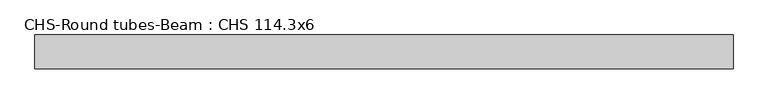
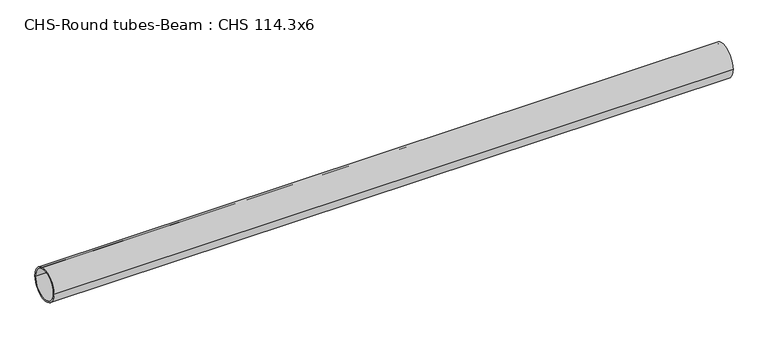
"""IFC4 building model written with IfcOpenShell, lengths in millimetres: beam geometry, CHS-Round tubes-Beam : CHS 114.3x6."""

import ifcopenshell
import ifcopenshell.guid

model = None  # the IFC model being written
_history = None  # IfcOwnerHistory: only IFC2X3 demands one
_inside = {}  # id of a spatial element -> (the spatial element, [elements in it])
_under = {}  # id of a project, library or spatial element -> (it, [spatial elements below it])
_declared = {}  # id of a project -> (the project, [libraries it declares])
_typed = {}  # id of a type object -> (the type object, [elements of that type])
_made_of = {}  # id of a material, layer set ... -> (it, [elements and type objects made of it])


def new_model(schema):
    """Start an empty IFC model of exactly this schema.

    Asked for "IFC4X3", IfcOpenShell would pick the latest addendum, in which some entities
    have other attributes; the version numbers below select the first issue.
    IFC2X3 requires an IfcOwnerHistory on every rooted entity: one is made here for all.
    """
    global model, _history
    if schema == "IFC4X3":
        model = ifcopenshell.file(schema_version=(4, 3, 0, 0))
    else:
        model = ifcopenshell.file(schema=schema)
    _inside.clear()
    _under.clear()
    _declared.clear()
    _typed.clear()
    _made_of.clear()
    _history = None
    if model.schema == "IFC2X3":
        org = make("IfcOrganization", Name="unknown")
        user = make(
            "IfcPersonAndOrganization",
            ThePerson=make("IfcPerson", FamilyName="unknown"),
            TheOrganization=org,
        )
        app = make(
            "IfcApplication",
            ApplicationDeveloper=org,
            Version="unknown",
            ApplicationFullName="unknown",
            ApplicationIdentifier="unknown",
        )
        _history = make(
            "IfcOwnerHistory",
            OwningUser=user,
            OwningApplication=app,
            ChangeAction="ADDED",
            CreationDate=0,
        )
    return model


def make(cls, **values):
    """One entity of the class cls with the attributes given. An attribute that is None is left unset."""
    return model.create_entity(
        cls, **{name: value for name, value in values.items() if value is not None}
    )


def rooted(cls, **values):
    """An entity with a GlobalId (a new one), such as an element, a storey or a relation."""
    return make(cls, GlobalId=ifcopenshell.guid.new(), OwnerHistory=_history, **values)


def si_unit(unit_type, name, prefix=None):
    """IfcSIUnit, for example si_unit("LENGTHUNIT", "METRE", prefix="MILLI")."""
    return make("IfcSIUnit", UnitType=unit_type, Prefix=prefix, Name=name)


def assignment(units):
    """IfcUnitAssignment: the units of a project."""
    return None if units is None else make("IfcUnitAssignment", Units=units)


def point(xyz):
    """IfcCartesianPoint."""
    return None if xyz is None else make("IfcCartesianPoint", Coordinates=xyz)


def direction(xyz):
    """IfcDirection."""
    return None if xyz is None else make("IfcDirection", DirectionRatios=xyz)


def frame(location, z_axis=None, x_axis=None):
    """IfcAxis2Placement3D, a coordinate frame: its origin and axes. An axis left out is left unset."""
    return make(
        "IfcAxis2Placement3D",
        Location=point(location),
        Axis=direction(z_axis),
        RefDirection=direction(x_axis),
    )


def frame_2d(location, x_axis=None):
    """IfcAxis2Placement2D, a coordinate frame in the plane: its origin and x axis."""
    return make(
        "IfcAxis2Placement2D", Location=point(location), RefDirection=direction(x_axis)
    )


def origin():
    """The frame at (0, 0, 0) with its axes left unset."""
    return frame((0.0, 0.0, 0.0))


def origin_2d():
    """The frame at (0, 0) in the plane with its x axis left unset."""
    return frame_2d((0.0, 0.0))


def place(relative_to, where):
    """IfcLocalPlacement: puts the frame where relative to a parent placement (None: the world)."""
    return make(
        "IfcLocalPlacement", PlacementRelTo=relative_to, RelativePlacement=where
    )


def context(
    kind, dimensions, precision=None, world=None, true_north=None, identifier=None
):
    """IfcGeometricRepresentationContext, for example the 3D "Model" context."""
    return make(
        "IfcGeometricRepresentationContext",
        ContextIdentifier=identifier,
        ContextType=kind,
        CoordinateSpaceDimension=dimensions,
        Precision=precision,
        WorldCoordinateSystem=world,
        TrueNorth=true_north,
    )


def project(units=None, contexts=None):
    """IfcProject with its units and contexts."""
    return rooted(
        "IfcProject",
        Name="project",
        RepresentationContexts=contexts,
        UnitsInContext=assignment(units),
    )


def spatial(cls, under=None, at=None, **own):
    """A site, building, storey or space (cls), placed at a placement, below another one or the project."""
    s = rooted(cls, ObjectPlacement=at, **own)
    if under is not None:
        _under.setdefault(under.id(), (under, []))[1].append(s)
    return s


def circle_curve(where, radius):
    """IfcCircle in the frame where."""
    return make("IfcCircle", Position=where, Radius=radius)


def trimmed(basis, trim1, trim2, sense, master):
    """IfcTrimmedCurve: the piece of a basis curve between two trims."""
    return make(
        "IfcTrimmedCurve",
        BasisCurve=basis,
        Trim1=trim1,
        Trim2=trim2,
        SenseAgreement=sense,
        MasterRepresentation=master,
    )


def segment(curve, same_sense, transition):
    """IfcCompositeCurveSegment."""
    return make(
        "IfcCompositeCurveSegment",
        Transition=transition,
        SameSense=same_sense,
        ParentCurve=curve,
    )


def composite_curve(segments, self_intersect=None):
    """IfcCompositeCurve: segments joined end to end."""
    return make("IfcCompositeCurve", Segments=segments, SelfIntersect=self_intersect)


def outline(outer, holes=None, kind="AREA"):
    """IfcArbitraryClosedProfileDef: a profile drawn as a closed curve; with holes, ...WithVoids."""
    if holes is None:
        return make("IfcArbitraryClosedProfileDef", ProfileType=kind, OuterCurve=outer)
    return make(
        "IfcArbitraryProfileDefWithVoids",
        ProfileType=kind,
        OuterCurve=outer,
        InnerCurves=holes,
    )


def extrude(swept, where, along, depth):
    """IfcExtrudedAreaSolid: the profile swept, set in the frame where, extruded along a direction by depth."""
    return make(
        "IfcExtrudedAreaSolid",
        SweptArea=swept,
        Position=where,
        ExtrudedDirection=direction(along),
        Depth=depth,
    )


def shape(context_of_items, identifier, shape_type, items):
    """IfcShapeRepresentation: the items that make up one representation, for example the "Body"."""
    return make(
        "IfcShapeRepresentation",
        ContextOfItems=context_of_items,
        RepresentationIdentifier=identifier,
        RepresentationType=shape_type,
        Items=items,
    )


def source(mapping_origin, context_of_items, identifier, shape_type, items):
    """IfcRepresentationMap: a shape defined once, which mapped items show again and again."""
    return make(
        "IfcRepresentationMap",
        MappingOrigin=mapping_origin,
        MappedRepresentation=shape(context_of_items, identifier, shape_type, items),
    )


def transform(
    local_origin,
    x_axis=None,
    y_axis=None,
    z_axis=None,
    scale=None,
    scale2=None,
    scale3=None,
    uniform=True,
):
    """IfcCartesianTransformationOperator3D, or its non-uniform kind. x_axis, y_axis, z_axis: its Axis1, 2, 3."""
    if uniform:
        return make(
            "IfcCartesianTransformationOperator3D",
            Axis1=direction(x_axis),
            Axis2=direction(y_axis),
            LocalOrigin=point(local_origin),
            Scale=scale,
            Axis3=direction(z_axis),
        )
    return make(
        "IfcCartesianTransformationOperator3DnonUniform",
        Axis1=direction(x_axis),
        Axis2=direction(y_axis),
        LocalOrigin=point(local_origin),
        Scale=scale,
        Axis3=direction(z_axis),
        Scale2=scale2,
        Scale3=scale3,
    )


def mapped(mapping_source, mapping_target):
    """IfcMappedItem: shows the shape of a source again, moved by a transform."""
    return make(
        "IfcMappedItem", MappingSource=mapping_source, MappingTarget=mapping_target
    )


def made_of(thing, what):
    """Note that an element or type object is made of a material, layer set ...; save() writes the relation."""
    if what is not None:
        _made_of.setdefault(what.id(), (what, []))[1].append(thing)
    return thing


def element(
    cls,
    number,
    at=None,
    inside=None,
    cuts=None,
    type_object=None,
    material=None,
    context=None,
    identifier="Body",
    shape_type=None,
    held_by="IfcProductDefinitionShape",
    body=None,
    shapes=None,
    **own,
):
    """One element of the class cls, such as IfcWall. Its Tag is "e" and its number.

    at: its placement. inside: the storey or other place that contains it. cuts: it is an
    opening in that element (IfcRelVoidsElement). A single representation is given by context,
    identifier, shape_type and body (its items); several are given by shapes. held_by: the class
    of the entity that holds the representations. save() writes the other relations.
    """
    e = rooted(cls, Tag="e%d" % number, ObjectPlacement=at, **own)
    if body is not None:
        shapes = [shape(context, identifier, shape_type, body)]
    if shapes is not None:
        e.Representation = make(held_by, Representations=shapes)
    if inside is not None:
        _inside.setdefault(inside.id(), (inside, []))[1].append(e)
    if cuts is not None:
        rooted(
            "IfcRelVoidsElement", RelatingBuildingElement=cuts, RelatedOpeningElement=e
        )
    if type_object is not None:
        _typed.setdefault(type_object.id(), (type_object, []))[1].append(e)
    return made_of(e, material)


def aggregate(whole, parts):
    """IfcRelAggregates: a whole, such as a stair, and the parts it consists of."""
    return rooted("IfcRelAggregates", RelatingObject=whole, RelatedObjects=parts)


def save(model, path):
    """Write the relations noted so far, then the file.

    IfcRelAggregates (storeys below a building ...), IfcRelContainedInSpatialStructure (elements
    in a storey), IfcRelDefinesByType, IfcRelAssociatesMaterial and IfcRelDeclares: one each for
    every whole, place, type object, material and project.
    """
    for whole, parts in _under.values():
        aggregate(whole, parts)
    for where, things in _inside.values():
        rooted(
            "IfcRelContainedInSpatialStructure",
            RelatedElements=things,
            RelatingStructure=where,
        )
    for kind, things in _typed.values():
        rooted("IfcRelDefinesByType", RelatedObjects=things, RelatingType=kind)
    for what, things in _made_of.values():
        rooted("IfcRelAssociatesMaterial", RelatedObjects=things, RelatingMaterial=what)
    for by, libraries in _declared.values():
        rooted("IfcRelDeclares", RelatingContext=by, RelatedDefinitions=libraries)
    model.write(path)


def chs_round_tubes_beam_chs_114_3x6_c31331a7(model_context):
    return source(origin(), model_context, "Body", "SweptSolid", [
        extrude(outline(composite_curve([segment(trimmed(circle_curve(origin_2d(), 57.15), [point((57.15, 0.0))], [point((-57.15, 0.0))], False, "CARTESIAN"), True, "CONTINUOUS"), segment(trimmed(circle_curve(origin_2d(), 57.15), [point((-57.15, 0.0))], [point((57.15, 0.0))], False, "CARTESIAN"), True, "CONTINUOUS")], self_intersect=False), holes=[composite_curve([segment(trimmed(circle_curve(origin_2d(), 51.15), [point((51.15, 0.0))], [point((-51.15, 0.0))], True, "CARTESIAN"), True, "CONTINUOUS"), segment(trimmed(circle_curve(origin_2d(), 51.15), [point((-51.15, 0.0))], [point((51.15, 0.0))], True, "CARTESIAN"), True, "CONTINUOUS")], self_intersect=False)]), frame((-1126.3849933, 0.0, 0.0), z_axis=(1.0, 0.0, 0.0), x_axis=(0.0, 1.0, 0.0)), (0.0, 0.0, 1.0), 2363.2954212),
    ])


if __name__ == "__main__":
    model = new_model("IFC4")
    model_context = context("Model", 3, world=origin())
    ifc_project = project(units=[si_unit("LENGTHUNIT", "METRE", prefix="MILLI")], contexts=[model_context])
    site = spatial("IfcSite", under=ifc_project)
    building = spatial("IfcBuilding", under=site)
    placement = place(None, origin())
    chs_round_tubes_beam_chs_114_3x6_shape = chs_round_tubes_beam_chs_114_3x6_c31331a7(model_context)
    element("IfcBeam", 1, ObjectType="CHS-Round tubes-Beam : CHS 114.3x6", at=placement, inside=building, context=model_context, shape_type="MappedRepresentation", body=[
        mapped(chs_round_tubes_beam_chs_114_3x6_shape, transform((0.0, 0.0, 0.0), x_axis=(1.0, 0.0, 0.0), y_axis=(0.0, 1.0, 0.0), z_axis=(0.0, 0.0, 1.0))),
    ])
    save(model, "model.ifc")
